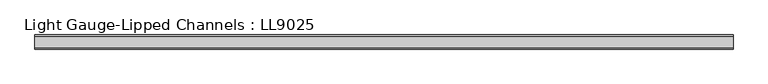
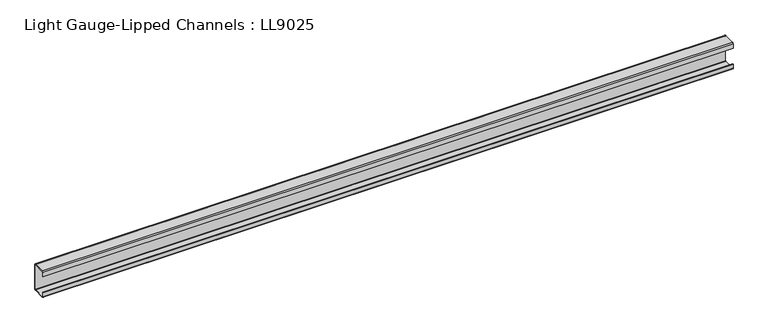
"""IFC4 building model written with IfcOpenShell, lengths in millimetres: beam geometry, Light Gauge-Lipped Channels : LL9025."""

from ifc_helpers import new_model, si_unit, point, frame, frame_2d, origin, place, context, project, spatial, polyline, circle_curve, trimmed, segment, composite_curve, outline, extrude, source, transform, mapped, element, save


def light_gauge_lipped_channels_ll9025_5bc2a9d7(model_context):
    return source(origin(), model_context, "Body", "SweptSolid", [
        extrude(outline(composite_curve([segment(trimmed(circle_curve(frame_2d((14.7, -41.5)), 3.5), [point((18.2, -41.5))], [point((14.7, -45.0))], False, "CARTESIAN"), True, "CONTINUOUS"), segment(polyline([(14.7, -45.0), (-23.3, -45.0)]), True, "CONTINUOUS"), segment(trimmed(circle_curve(frame_2d((-23.3, -41.5)), 3.5), [point((-23.3, -45.0))], [point((-26.8, -41.5))], False, "CARTESIAN"), True, "CONTINUOUS"), segment(polyline([(-26.8, -41.5), (-26.8, -27.0), (-24.3, -27.0), (-24.3, -41.5)]), True, "CONTINUOUS"), segment(trimmed(circle_curve(frame_2d((-23.3, -41.5)), 1.0), [point((-24.3, -41.5))], [point((-23.3, -42.5))], True, "CARTESIAN"), True, "CONTINUOUS"), segment(polyline([(-23.3, -42.5), (14.7, -42.5)]), True, "CONTINUOUS"), segment(trimmed(circle_curve(frame_2d((14.7, -41.5)), 1.0), [point((14.7, -42.5))], [point((15.7, -41.5))], True, "CARTESIAN"), True, "CONTINUOUS"), segment(polyline([(15.7, -41.5), (15.7, 41.5)]), True, "CONTINUOUS"), segment(trimmed(circle_curve(frame_2d((14.7, 41.5)), 1.0), [point((15.7, 41.5))], [point((14.7, 42.5))], True, "CARTESIAN"), True, "CONTINUOUS"), segment(polyline([(14.7, 42.5), (-23.3, 42.5)]), True, "CONTINUOUS"), segment(trimmed(circle_curve(frame_2d((-23.3, 41.5)), 1.0), [point((-23.3, 42.5))], [point((-24.3, 41.5))], True, "CARTESIAN"), True, "CONTINUOUS"), segment(polyline([(-24.3, 41.5), (-24.3, 27.0), (-26.8, 27.0), (-26.8, 41.5)]), True, "CONTINUOUS"), segment(trimmed(circle_curve(frame_2d((-23.3, 41.5)), 3.5), [point((-26.8, 41.5))], [point((-23.3, 45.0))], False, "CARTESIAN"), True, "CONTINUOUS"), segment(polyline([(-23.3, 45.0), (14.7, 45.0)]), True, "CONTINUOUS"), segment(trimmed(circle_curve(frame_2d((14.7, 41.5)), 3.5), [point((14.7, 45.0))], [point((18.2, 41.5))], False, "CARTESIAN"), True, "CONTINUOUS"), segment(polyline([(18.2, 41.5), (18.2, -41.5)]), True, "CONTINUOUS")], self_intersect=False)), frame((-1084.5, 0.0, 0.0), z_axis=(1.0, 0.0, 0.0), x_axis=(0.0, 1.0, 0.0)), (0.0, 0.0, 1.0), 2222.905371),
    ])


if __name__ == "__main__":
    model = new_model("IFC4")
    model_context = context("Model", 3, world=origin())
    ifc_project = project(units=[si_unit("LENGTHUNIT", "METRE", prefix="MILLI")], contexts=[model_context])
    site = spatial("IfcSite", under=ifc_project)
    building = spatial("IfcBuilding", under=site)
    placement = place(None, origin())
    light_gauge_lipped_channels_ll9025_shape = light_gauge_lipped_channels_ll9025_5bc2a9d7(model_context)
    element("IfcBeam", 1, ObjectType="Light Gauge-Lipped Channels : LL9025", at=placement, inside=building, context=model_context, shape_type="MappedRepresentation", body=[
        mapped(light_gauge_lipped_channels_ll9025_shape, transform((0.0, 0.0, 0.0), x_axis=(1.0, 0.0, 0.0), y_axis=(0.0, 1.0, 0.0), z_axis=(0.0, 0.0, 1.0))),
    ])
    save(model, "model.ifc")
